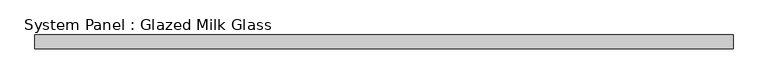
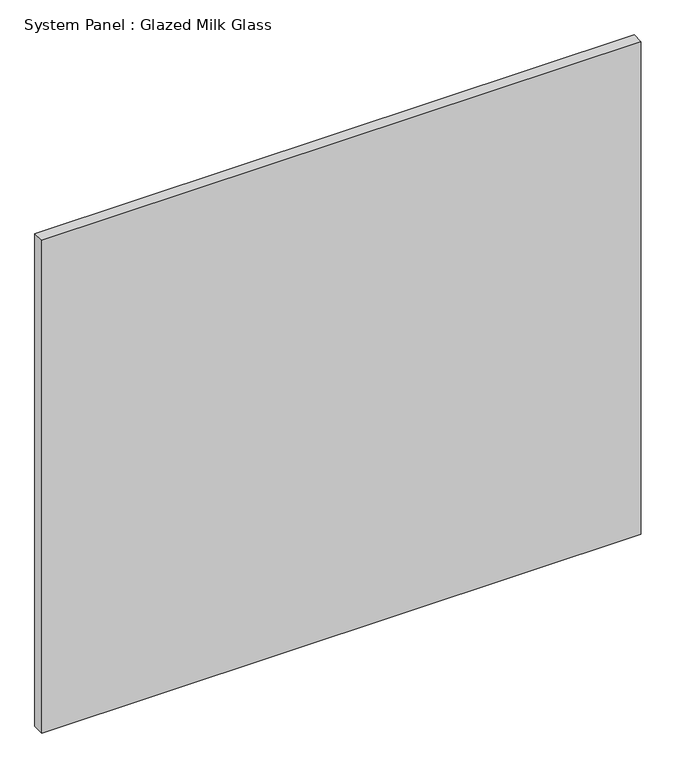
"""IFC4 building model written with IfcOpenShell, lengths in millimetres: plate geometry, System Panel : Glazed Milk Glass."""

from ifc_helpers import new_model, si_unit, origin, origin_with_axes, place, context, project, spatial, polyline, outline, extrude, source, transform, mapped, element, save


def system_panel_glazed_milk_glass_1d248cb4(model_context):
    return source(origin(), model_context, "Body", "SweptSolid", [
        extrude(outline(polyline([(635.0, -12.5), (-635.0, -12.5), (-635.0, 12.5), (635.0, 12.5), (635.0, -12.5)])), origin_with_axes(), (0.0, 0.0, 1.0), 1103.2093509),
    ])


if __name__ == "__main__":
    model = new_model("IFC4")
    model_context = context("Model", 3, world=origin())
    ifc_project = project(units=[si_unit("LENGTHUNIT", "METRE", prefix="MILLI")], contexts=[model_context])
    site = spatial("IfcSite", under=ifc_project)
    building = spatial("IfcBuilding", under=site)
    placement = place(None, origin())
    system_panel_glazed_milk_glass_shape = system_panel_glazed_milk_glass_1d248cb4(model_context)
    element("IfcPlate", 1, ObjectType="System Panel : Glazed Milk Glass", at=placement, inside=building, context=model_context, shape_type="MappedRepresentation", body=[
        mapped(system_panel_glazed_milk_glass_shape, transform((0.0, 0.0, 0.0), x_axis=(1.0, 0.0, 0.0), y_axis=(0.0, 1.0, 0.0), z_axis=(0.0, 0.0, 1.0))),
    ])
    save(model, "model.ifc")
